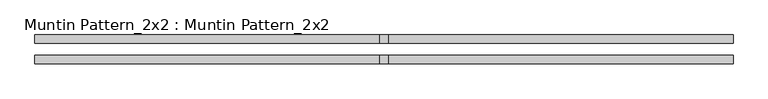
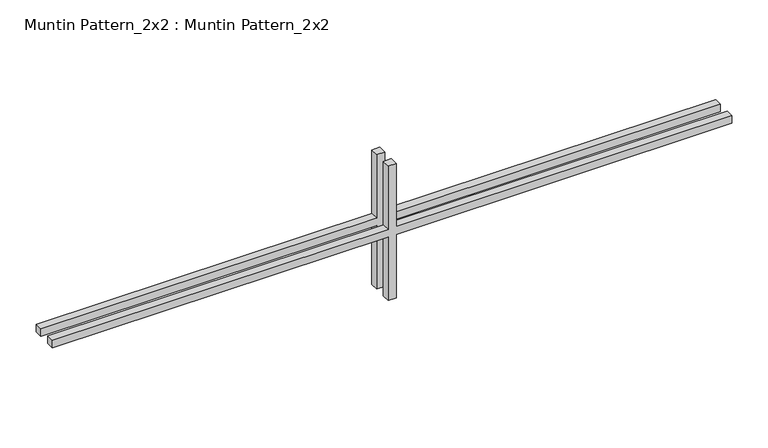
"""IFC4 building model written with IfcOpenShell, lengths in millimetres: proxy geometry, Muntin Pattern_2x2 : Muntin Pattern_2x2."""

import ifcopenshell
import ifcopenshell.guid

model = None  # the IFC model being written
_history = None  # IfcOwnerHistory: only IFC2X3 demands one
_inside = {}  # id of a spatial element -> (the spatial element, [elements in it])
_under = {}  # id of a project, library or spatial element -> (it, [spatial elements below it])
_declared = {}  # id of a project -> (the project, [libraries it declares])
_typed = {}  # id of a type object -> (the type object, [elements of that type])
_made_of = {}  # id of a material, layer set ... -> (it, [elements and type objects made of it])


def new_model(schema):
    """Start an empty IFC model of exactly this schema.

    Asked for "IFC4X3", IfcOpenShell would pick the latest addendum, in which some entities
    have other attributes; the version numbers below select the first issue.
    IFC2X3 requires an IfcOwnerHistory on every rooted entity: one is made here for all.
    """
    global model, _history
    if schema == "IFC4X3":
        model = ifcopenshell.file(schema_version=(4, 3, 0, 0))
    else:
        model = ifcopenshell.file(schema=schema)
    _inside.clear()
    _under.clear()
    _declared.clear()
    _typed.clear()
    _made_of.clear()
    _history = None
    if model.schema == "IFC2X3":
        org = make("IfcOrganization", Name="unknown")
        user = make(
            "IfcPersonAndOrganization",
            ThePerson=make("IfcPerson", FamilyName="unknown"),
            TheOrganization=org,
        )
        app = make(
            "IfcApplication",
            ApplicationDeveloper=org,
            Version="unknown",
            ApplicationFullName="unknown",
            ApplicationIdentifier="unknown",
        )
        _history = make(
            "IfcOwnerHistory",
            OwningUser=user,
            OwningApplication=app,
            ChangeAction="ADDED",
            CreationDate=0,
        )
    return model


def make(cls, **values):
    """One entity of the class cls with the attributes given. An attribute that is None is left unset."""
    return model.create_entity(
        cls, **{name: value for name, value in values.items() if value is not None}
    )


def rooted(cls, **values):
    """An entity with a GlobalId (a new one), such as an element, a storey or a relation."""
    return make(cls, GlobalId=ifcopenshell.guid.new(), OwnerHistory=_history, **values)


def si_unit(unit_type, name, prefix=None):
    """IfcSIUnit, for example si_unit("LENGTHUNIT", "METRE", prefix="MILLI")."""
    return make("IfcSIUnit", UnitType=unit_type, Prefix=prefix, Name=name)


def assignment(units):
    """IfcUnitAssignment: the units of a project."""
    return None if units is None else make("IfcUnitAssignment", Units=units)


def point(xyz):
    """IfcCartesianPoint."""
    return None if xyz is None else make("IfcCartesianPoint", Coordinates=xyz)


def direction(xyz):
    """IfcDirection."""
    return None if xyz is None else make("IfcDirection", DirectionRatios=xyz)


def frame(location, z_axis=None, x_axis=None):
    """IfcAxis2Placement3D, a coordinate frame: its origin and axes. An axis left out is left unset."""
    return make(
        "IfcAxis2Placement3D",
        Location=point(location),
        Axis=direction(z_axis),
        RefDirection=direction(x_axis),
    )


def origin():
    """The frame at (0, 0, 0) with its axes left unset."""
    return frame((0.0, 0.0, 0.0))


def place(relative_to, where):
    """IfcLocalPlacement: puts the frame where relative to a parent placement (None: the world)."""
    return make(
        "IfcLocalPlacement", PlacementRelTo=relative_to, RelativePlacement=where
    )


def context(
    kind, dimensions, precision=None, world=None, true_north=None, identifier=None
):
    """IfcGeometricRepresentationContext, for example the 3D "Model" context."""
    return make(
        "IfcGeometricRepresentationContext",
        ContextIdentifier=identifier,
        ContextType=kind,
        CoordinateSpaceDimension=dimensions,
        Precision=precision,
        WorldCoordinateSystem=world,
        TrueNorth=true_north,
    )


def project(units=None, contexts=None):
    """IfcProject with its units and contexts."""
    return rooted(
        "IfcProject",
        Name="project",
        RepresentationContexts=contexts,
        UnitsInContext=assignment(units),
    )


def spatial(cls, under=None, at=None, **own):
    """A site, building, storey or space (cls), placed at a placement, below another one or the project."""
    s = rooted(cls, ObjectPlacement=at, **own)
    if under is not None:
        _under.setdefault(under.id(), (under, []))[1].append(s)
    return s


def polyline(points):
    """IfcPolyline through the points."""
    return make("IfcPolyline", Points=[point(p) for p in points])


def outline(outer, holes=None, kind="AREA"):
    """IfcArbitraryClosedProfileDef: a profile drawn as a closed curve; with holes, ...WithVoids."""
    if holes is None:
        return make("IfcArbitraryClosedProfileDef", ProfileType=kind, OuterCurve=outer)
    return make(
        "IfcArbitraryProfileDefWithVoids",
        ProfileType=kind,
        OuterCurve=outer,
        InnerCurves=holes,
    )


def extrude(swept, where, along, depth):
    """IfcExtrudedAreaSolid: the profile swept, set in the frame where, extruded along a direction by depth."""
    return make(
        "IfcExtrudedAreaSolid",
        SweptArea=swept,
        Position=where,
        ExtrudedDirection=direction(along),
        Depth=depth,
    )


def shape(context_of_items, identifier, shape_type, items):
    """IfcShapeRepresentation: the items that make up one representation, for example the "Body"."""
    return make(
        "IfcShapeRepresentation",
        ContextOfItems=context_of_items,
        RepresentationIdentifier=identifier,
        RepresentationType=shape_type,
        Items=items,
    )


def source(mapping_origin, context_of_items, identifier, shape_type, items):
    """IfcRepresentationMap: a shape defined once, which mapped items show again and again."""
    return make(
        "IfcRepresentationMap",
        MappingOrigin=mapping_origin,
        MappedRepresentation=shape(context_of_items, identifier, shape_type, items),
    )


def transform(
    local_origin,
    x_axis=None,
    y_axis=None,
    z_axis=None,
    scale=None,
    scale2=None,
    scale3=None,
    uniform=True,
):
    """IfcCartesianTransformationOperator3D, or its non-uniform kind. x_axis, y_axis, z_axis: its Axis1, 2, 3."""
    if uniform:
        return make(
            "IfcCartesianTransformationOperator3D",
            Axis1=direction(x_axis),
            Axis2=direction(y_axis),
            LocalOrigin=point(local_origin),
            Scale=scale,
            Axis3=direction(z_axis),
        )
    return make(
        "IfcCartesianTransformationOperator3DnonUniform",
        Axis1=direction(x_axis),
        Axis2=direction(y_axis),
        LocalOrigin=point(local_origin),
        Scale=scale,
        Axis3=direction(z_axis),
        Scale2=scale2,
        Scale3=scale3,
    )


def mapped(mapping_source, mapping_target):
    """IfcMappedItem: shows the shape of a source again, moved by a transform."""
    return make(
        "IfcMappedItem", MappingSource=mapping_source, MappingTarget=mapping_target
    )


def made_of(thing, what):
    """Note that an element or type object is made of a material, layer set ...; save() writes the relation."""
    if what is not None:
        _made_of.setdefault(what.id(), (what, []))[1].append(thing)
    return thing


def element(
    cls,
    number,
    at=None,
    inside=None,
    cuts=None,
    type_object=None,
    material=None,
    context=None,
    identifier="Body",
    shape_type=None,
    held_by="IfcProductDefinitionShape",
    body=None,
    shapes=None,
    **own,
):
    """One element of the class cls, such as IfcWall. Its Tag is "e" and its number.

    at: its placement. inside: the storey or other place that contains it. cuts: it is an
    opening in that element (IfcRelVoidsElement). A single representation is given by context,
    identifier, shape_type and body (its items); several are given by shapes. held_by: the class
    of the entity that holds the representations. save() writes the other relations.
    """
    e = rooted(cls, Tag="e%d" % number, ObjectPlacement=at, **own)
    if body is not None:
        shapes = [shape(context, identifier, shape_type, body)]
    if shapes is not None:
        e.Representation = make(held_by, Representations=shapes)
    if inside is not None:
        _inside.setdefault(inside.id(), (inside, []))[1].append(e)
    if cuts is not None:
        rooted(
            "IfcRelVoidsElement", RelatingBuildingElement=cuts, RelatedOpeningElement=e
        )
    if type_object is not None:
        _typed.setdefault(type_object.id(), (type_object, []))[1].append(e)
    return made_of(e, material)


def aggregate(whole, parts):
    """IfcRelAggregates: a whole, such as a stair, and the parts it consists of."""
    return rooted("IfcRelAggregates", RelatingObject=whole, RelatedObjects=parts)


def save(model, path):
    """Write the relations noted so far, then the file.

    IfcRelAggregates (storeys below a building ...), IfcRelContainedInSpatialStructure (elements
    in a storey), IfcRelDefinesByType, IfcRelAssociatesMaterial and IfcRelDeclares: one each for
    every whole, place, type object, material and project.
    """
    for whole, parts in _under.values():
        aggregate(whole, parts)
    for where, things in _inside.values():
        rooted(
            "IfcRelContainedInSpatialStructure",
            RelatedElements=things,
            RelatingStructure=where,
        )
    for kind, things in _typed.values():
        rooted("IfcRelDefinesByType", RelatedObjects=things, RelatingType=kind)
    for what, things in _made_of.values():
        rooted("IfcRelAssociatesMaterial", RelatedObjects=things, RelatingMaterial=what)
    for by, libraries in _declared.values():
        rooted("IfcRelDeclares", RelatingContext=by, RelatedDefinitions=libraries)
    model.write(path)


def muntin_pattern_2x2_muntin_pattern_2x2_8935d216(model_context):
    return source(origin(), model_context, "Body", "SweptSolid", [
        extrude(outline(polyline([(119.3601563, -6.35), (119.3601563, -539.75), (106.6601563, -539.75), (106.6601563, -6.35), (0.0, -6.35), (0.0, 6.35), (106.6601563, 6.35), (106.6601563, 539.75), (119.3601563, 539.75), (119.3601563, 6.35), (226.0203125, 6.35), (226.0203125, -6.35), (119.3601563, -6.35)])), frame((0.0, -22.225, 0.0), z_axis=(0.0, 1.0, 0.0), x_axis=(0.0, 0.0, 1.0)), (0.0, 0.0, 1.0), 12.7),
        extrude(outline(polyline([(119.3601563, -6.35), (119.3601563, -539.75), (106.6601563, -539.75), (106.6601563, -6.35), (0.0, -6.35), (0.0, 6.35), (106.6601563, 6.35), (106.6601563, 539.75), (119.3601563, 539.75), (119.3601563, 6.35), (226.0203125, 6.35), (226.0203125, -6.35), (119.3601563, -6.35)])), frame((0.0, 9.525, 0.0), z_axis=(0.0, 1.0, 0.0), x_axis=(0.0, 0.0, 1.0)), (0.0, 0.0, 1.0), 12.7),
    ])


if __name__ == "__main__":
    model = new_model("IFC4")
    model_context = context("Model", 3, world=origin())
    ifc_project = project(units=[si_unit("LENGTHUNIT", "METRE", prefix="MILLI")], contexts=[model_context])
    site = spatial("IfcSite", under=ifc_project)
    building = spatial("IfcBuilding", under=site)
    placement = place(None, origin())
    muntin_pattern_2x2_muntin_pattern_2x2_shape = muntin_pattern_2x2_muntin_pattern_2x2_8935d216(model_context)
    element("IfcBuildingElementProxy", 1, Name="Muntin Pattern_2x2 : Muntin Pattern_2x2", ObjectType="Muntin Pattern_2x2 : Muntin Pattern_2x2", at=placement, inside=building, context=model_context, shape_type="MappedRepresentation", body=[
        mapped(muntin_pattern_2x2_muntin_pattern_2x2_shape, transform((0.0, 0.0, 0.0), x_axis=(1.0, 0.0, 0.0), y_axis=(0.0, 1.0, 0.0), z_axis=(0.0, 0.0, 1.0))),
    ])
    save(model, "model.ifc")
